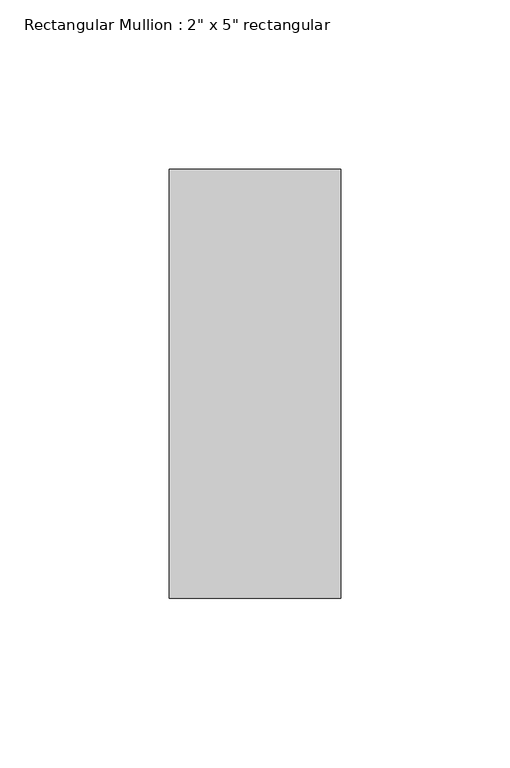
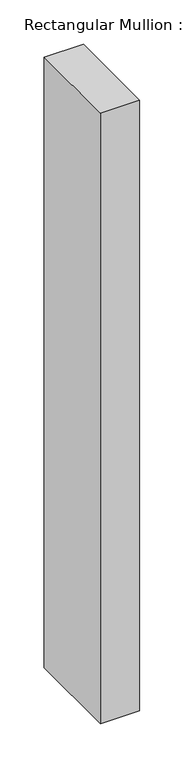
"""IFC4 building model written with IfcOpenShell, lengths in millimetres: member geometry."""

import ifcopenshell
import ifcopenshell.guid

model = None  # the IFC model being written
_history = None  # IfcOwnerHistory: only IFC2X3 demands one
_inside = {}  # id of a spatial element -> (the spatial element, [elements in it])
_under = {}  # id of a project, library or spatial element -> (it, [spatial elements below it])
_declared = {}  # id of a project -> (the project, [libraries it declares])
_typed = {}  # id of a type object -> (the type object, [elements of that type])
_made_of = {}  # id of a material, layer set ... -> (it, [elements and type objects made of it])


def new_model(schema):
    """Start an empty IFC model of exactly this schema.

    Asked for "IFC4X3", IfcOpenShell would pick the latest addendum, in which some entities
    have other attributes; the version numbers below select the first issue.
    IFC2X3 requires an IfcOwnerHistory on every rooted entity: one is made here for all.
    """
    global model, _history
    if schema == "IFC4X3":
        model = ifcopenshell.file(schema_version=(4, 3, 0, 0))
    else:
        model = ifcopenshell.file(schema=schema)
    _inside.clear()
    _under.clear()
    _declared.clear()
    _typed.clear()
    _made_of.clear()
    _history = None
    if model.schema == "IFC2X3":
        org = make("IfcOrganization", Name="unknown")
        user = make(
            "IfcPersonAndOrganization",
            ThePerson=make("IfcPerson", FamilyName="unknown"),
            TheOrganization=org,
        )
        app = make(
            "IfcApplication",
            ApplicationDeveloper=org,
            Version="unknown",
            ApplicationFullName="unknown",
            ApplicationIdentifier="unknown",
        )
        _history = make(
            "IfcOwnerHistory",
            OwningUser=user,
            OwningApplication=app,
            ChangeAction="ADDED",
            CreationDate=0,
        )
    return model


def make(cls, **values):
    """One entity of the class cls with the attributes given. An attribute that is None is left unset."""
    return model.create_entity(
        cls, **{name: value for name, value in values.items() if value is not None}
    )


def rooted(cls, **values):
    """An entity with a GlobalId (a new one), such as an element, a storey or a relation."""
    return make(cls, GlobalId=ifcopenshell.guid.new(), OwnerHistory=_history, **values)


def si_unit(unit_type, name, prefix=None):
    """IfcSIUnit, for example si_unit("LENGTHUNIT", "METRE", prefix="MILLI")."""
    return make("IfcSIUnit", UnitType=unit_type, Prefix=prefix, Name=name)


def assignment(units):
    """IfcUnitAssignment: the units of a project."""
    return None if units is None else make("IfcUnitAssignment", Units=units)


def point(xyz):
    """IfcCartesianPoint."""
    return None if xyz is None else make("IfcCartesianPoint", Coordinates=xyz)


def direction(xyz):
    """IfcDirection."""
    return None if xyz is None else make("IfcDirection", DirectionRatios=xyz)


def frame(location, z_axis=None, x_axis=None):
    """IfcAxis2Placement3D, a coordinate frame: its origin and axes. An axis left out is left unset."""
    return make(
        "IfcAxis2Placement3D",
        Location=point(location),
        Axis=direction(z_axis),
        RefDirection=direction(x_axis),
    )


def origin():
    """The frame at (0, 0, 0) with its axes left unset."""
    return frame((0.0, 0.0, 0.0))


def place(relative_to, where):
    """IfcLocalPlacement: puts the frame where relative to a parent placement (None: the world)."""
    return make(
        "IfcLocalPlacement", PlacementRelTo=relative_to, RelativePlacement=where
    )


def context(
    kind, dimensions, precision=None, world=None, true_north=None, identifier=None
):
    """IfcGeometricRepresentationContext, for example the 3D "Model" context."""
    return make(
        "IfcGeometricRepresentationContext",
        ContextIdentifier=identifier,
        ContextType=kind,
        CoordinateSpaceDimension=dimensions,
        Precision=precision,
        WorldCoordinateSystem=world,
        TrueNorth=true_north,
    )


def project(units=None, contexts=None):
    """IfcProject with its units and contexts."""
    return rooted(
        "IfcProject",
        Name="project",
        RepresentationContexts=contexts,
        UnitsInContext=assignment(units),
    )


def spatial(cls, under=None, at=None, **own):
    """A site, building, storey or space (cls), placed at a placement, below another one or the project."""
    s = rooted(cls, ObjectPlacement=at, **own)
    if under is not None:
        _under.setdefault(under.id(), (under, []))[1].append(s)
    return s


def polyline(points):
    """IfcPolyline through the points."""
    return make("IfcPolyline", Points=[point(p) for p in points])


def outline(outer, holes=None, kind="AREA"):
    """IfcArbitraryClosedProfileDef: a profile drawn as a closed curve; with holes, ...WithVoids."""
    if holes is None:
        return make("IfcArbitraryClosedProfileDef", ProfileType=kind, OuterCurve=outer)
    return make(
        "IfcArbitraryProfileDefWithVoids",
        ProfileType=kind,
        OuterCurve=outer,
        InnerCurves=holes,
    )


def extrude(swept, where, along, depth):
    """IfcExtrudedAreaSolid: the profile swept, set in the frame where, extruded along a direction by depth."""
    return make(
        "IfcExtrudedAreaSolid",
        SweptArea=swept,
        Position=where,
        ExtrudedDirection=direction(along),
        Depth=depth,
    )


def shape(context_of_items, identifier, shape_type, items):
    """IfcShapeRepresentation: the items that make up one representation, for example the "Body"."""
    return make(
        "IfcShapeRepresentation",
        ContextOfItems=context_of_items,
        RepresentationIdentifier=identifier,
        RepresentationType=shape_type,
        Items=items,
    )


def source(mapping_origin, context_of_items, identifier, shape_type, items):
    """IfcRepresentationMap: a shape defined once, which mapped items show again and again."""
    return make(
        "IfcRepresentationMap",
        MappingOrigin=mapping_origin,
        MappedRepresentation=shape(context_of_items, identifier, shape_type, items),
    )


def transform(
    local_origin,
    x_axis=None,
    y_axis=None,
    z_axis=None,
    scale=None,
    scale2=None,
    scale3=None,
    uniform=True,
):
    """IfcCartesianTransformationOperator3D, or its non-uniform kind. x_axis, y_axis, z_axis: its Axis1, 2, 3."""
    if uniform:
        return make(
            "IfcCartesianTransformationOperator3D",
            Axis1=direction(x_axis),
            Axis2=direction(y_axis),
            LocalOrigin=point(local_origin),
            Scale=scale,
            Axis3=direction(z_axis),
        )
    return make(
        "IfcCartesianTransformationOperator3DnonUniform",
        Axis1=direction(x_axis),
        Axis2=direction(y_axis),
        LocalOrigin=point(local_origin),
        Scale=scale,
        Axis3=direction(z_axis),
        Scale2=scale2,
        Scale3=scale3,
    )


def mapped(mapping_source, mapping_target):
    """IfcMappedItem: shows the shape of a source again, moved by a transform."""
    return make(
        "IfcMappedItem", MappingSource=mapping_source, MappingTarget=mapping_target
    )


def made_of(thing, what):
    """Note that an element or type object is made of a material, layer set ...; save() writes the relation."""
    if what is not None:
        _made_of.setdefault(what.id(), (what, []))[1].append(thing)
    return thing


def element(
    cls,
    number,
    at=None,
    inside=None,
    cuts=None,
    type_object=None,
    material=None,
    context=None,
    identifier="Body",
    shape_type=None,
    held_by="IfcProductDefinitionShape",
    body=None,
    shapes=None,
    **own,
):
    """One element of the class cls, such as IfcWall. Its Tag is "e" and its number.

    at: its placement. inside: the storey or other place that contains it. cuts: it is an
    opening in that element (IfcRelVoidsElement). A single representation is given by context,
    identifier, shape_type and body (its items); several are given by shapes. held_by: the class
    of the entity that holds the representations. save() writes the other relations.
    """
    e = rooted(cls, Tag="e%d" % number, ObjectPlacement=at, **own)
    if body is not None:
        shapes = [shape(context, identifier, shape_type, body)]
    if shapes is not None:
        e.Representation = make(held_by, Representations=shapes)
    if inside is not None:
        _inside.setdefault(inside.id(), (inside, []))[1].append(e)
    if cuts is not None:
        rooted(
            "IfcRelVoidsElement", RelatingBuildingElement=cuts, RelatedOpeningElement=e
        )
    if type_object is not None:
        _typed.setdefault(type_object.id(), (type_object, []))[1].append(e)
    return made_of(e, material)


def aggregate(whole, parts):
    """IfcRelAggregates: a whole, such as a stair, and the parts it consists of."""
    return rooted("IfcRelAggregates", RelatingObject=whole, RelatedObjects=parts)


def save(model, path):
    """Write the relations noted so far, then the file.

    IfcRelAggregates (storeys below a building ...), IfcRelContainedInSpatialStructure (elements
    in a storey), IfcRelDefinesByType, IfcRelAssociatesMaterial and IfcRelDeclares: one each for
    every whole, place, type object, material and project.
    """
    for whole, parts in _under.values():
        aggregate(whole, parts)
    for where, things in _inside.values():
        rooted(
            "IfcRelContainedInSpatialStructure",
            RelatedElements=things,
            RelatingStructure=where,
        )
    for kind, things in _typed.values():
        rooted("IfcRelDefinesByType", RelatedObjects=things, RelatingType=kind)
    for what, things in _made_of.values():
        rooted("IfcRelAssociatesMaterial", RelatedObjects=things, RelatingMaterial=what)
    for by, libraries in _declared.values():
        rooted("IfcRelDeclares", RelatingContext=by, RelatedDefinitions=libraries)
    model.write(path)


def member_cac381da(model_context):
    return source(origin(), model_context, "Body", "SweptSolid", [
        extrude(outline(polyline([(0.0, 63.5), (0.0, -63.5), (-50.8, -63.5), (-50.8, 63.5), (0.0, 63.5)])), frame((0.0, 0.0, -838.2), z_axis=(0.0, 0.0, 1.0), x_axis=(1.0, 0.0, 0.0)), (0.0, 0.0, 1.0), 838.2),
    ])


if __name__ == "__main__":
    model = new_model("IFC4")
    model_context = context("Model", 3, world=origin())
    ifc_project = project(units=[si_unit("LENGTHUNIT", "METRE", prefix="MILLI")], contexts=[model_context])
    site = spatial("IfcSite", under=ifc_project)
    building = spatial("IfcBuilding", under=site)
    placement = place(None, origin())
    member_shape = member_cac381da(model_context)
    element("IfcMember", 1, ObjectType="Rectangular Mullion : 2\" x 5\" rectangular", at=placement, inside=building, context=model_context, shape_type="MappedRepresentation", body=[
        mapped(member_shape, transform((0.0, 0.0, 0.0), x_axis=(1.0, 0.0, 0.0), y_axis=(0.0, 1.0, 0.0), z_axis=(0.0, 0.0, 1.0))),
    ])
    save(model, "model.ifc")
